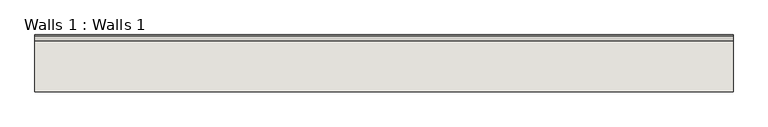
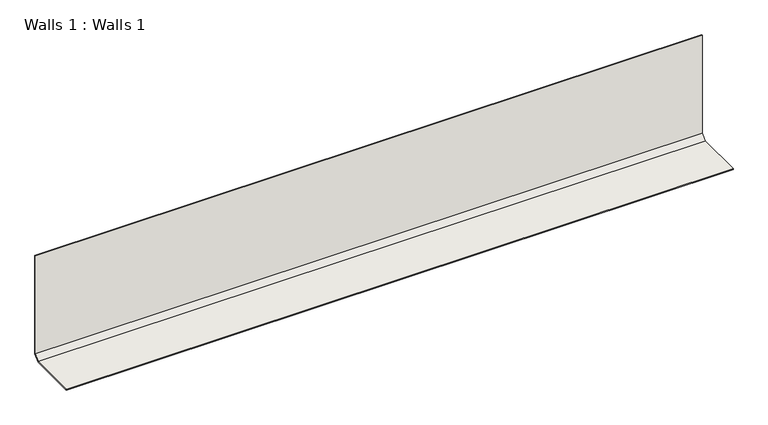
"""IFC4 building model written with IfcOpenShell, lengths in millimetres: wall geometry, Walls 1 : Walls 1."""

from ifc_helpers import new_model, si_unit, frame, origin, place, context, project, spatial, polyline, outline, extrude, source, transform, mapped, element, save


def walls_1_walls_1_05b01fa2(model_context):
    return source(origin(), model_context, "Body", "SweptSolid", [
        extrude(outline(polyline([(3787.8357401, 3.1732159), (3805.0276522, 20.3651281), (3805.0276522, 375.7360524), (3808.2026522, 375.7360524), (3808.2026522, 19.05), (3789.1526522, 0.0), (3622.124108, 0.0), (3622.124108, 3.1732159), (3787.8357401, 3.1732159)])), frame((-859.3497911, 0.0, 0.0), z_axis=(1.0, 0.0, 0.0), x_axis=(0.0, 1.0, 0.0)), (0.0, 0.0, 1.0), 2286.0),
    ])


if __name__ == "__main__":
    model = new_model("IFC4")
    model_context = context("Model", 3, world=origin())
    ifc_project = project(units=[si_unit("LENGTHUNIT", "METRE", prefix="MILLI")], contexts=[model_context])
    site = spatial("IfcSite", under=ifc_project)
    building = spatial("IfcBuilding", under=site)
    placement = place(None, origin())
    walls_1_walls_1_shape = walls_1_walls_1_05b01fa2(model_context)
    element("IfcWall", 1, ObjectType="Walls 1 : Walls 1", at=placement, inside=building, context=model_context, shape_type="MappedRepresentation", body=[
        mapped(walls_1_walls_1_shape, transform((0.0, 0.0, 0.0), x_axis=(1.0, 0.0, 0.0), y_axis=(0.0, 1.0, 0.0), z_axis=(0.0, 0.0, 1.0))),
    ])
    save(model, "model.ifc")
